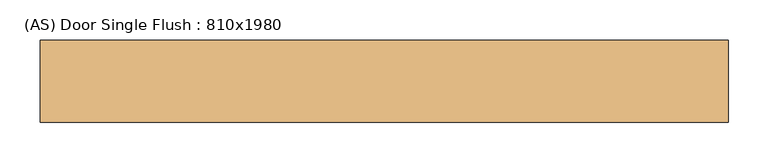
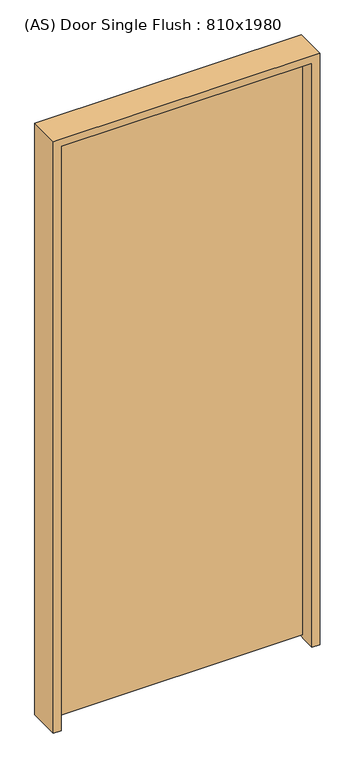
"""IFC4 building model written with IfcOpenShell, lengths in millimetres: door geometry, (AS) Door Single Flush : 810x1980."""

from ifc_helpers import new_model, si_unit, frame, origin, place, context, project, spatial, polyline, outline, extrude, source, transform, mapped, element, save


def as_door_single_flush_810x1980_5e0ce178(model_context):
    return source(origin(), model_context, "Body", "SweptSolid", [
        extrude(outline(polyline([(-480.0, 41.5), (330.0, 41.5), (330.0, 1.5), (-480.0, 1.5), (-480.0, 41.5)])), frame((0.0, 0.0, 10.0), z_axis=(0.0, 0.0, 1.0), x_axis=(1.0, 0.0, 0.0)), (0.0, 0.0, 1.0), 1980.0),
        extrude(outline(polyline([(0.0, 330.0), (0.0, 355.0), (2015.0, 355.0), (2015.0, -505.0), (0.0, -505.0), (0.0, -480.0), (1990.0, -480.0), (1990.0, 330.0), (0.0, 330.0)])), frame((0.0, -51.5, 0.0), z_axis=(0.0, 1.0, 0.0), x_axis=(0.0, 0.0, 1.0)), (0.0, 0.0, 1.0), 103.0),
    ])


if __name__ == "__main__":
    model = new_model("IFC4")
    model_context = context("Model", 3, world=origin())
    ifc_project = project(units=[si_unit("LENGTHUNIT", "METRE", prefix="MILLI")], contexts=[model_context])
    site = spatial("IfcSite", under=ifc_project)
    building = spatial("IfcBuilding", under=site)
    placement = place(None, origin())
    as_door_single_flush_810x1980_shape = as_door_single_flush_810x1980_5e0ce178(model_context)
    element("IfcDoor", 1, ObjectType="(AS) Door Single Flush : 810x1980", at=placement, inside=building, context=model_context, shape_type="MappedRepresentation", body=[
        mapped(as_door_single_flush_810x1980_shape, transform((0.0, 0.0, 0.0), x_axis=(1.0, 0.0, 0.0), y_axis=(0.0, 1.0, 0.0), z_axis=(0.0, 0.0, 1.0))),
    ])
    save(model, "model.ifc")
